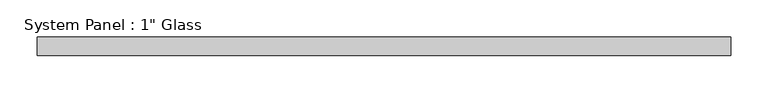
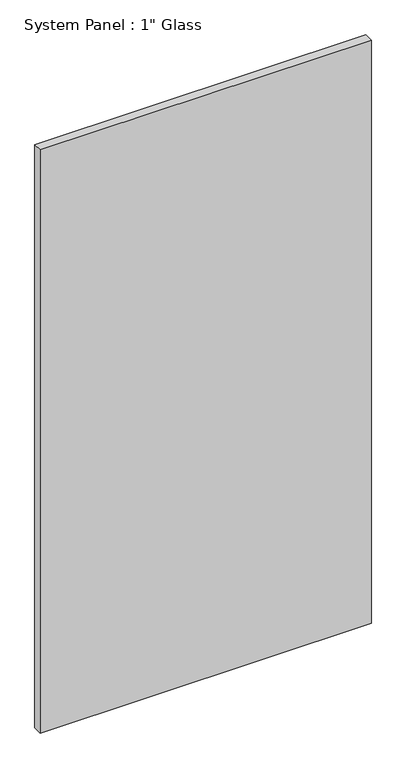
"""IFC4 building model written with IfcOpenShell, lengths in millimetres: plate geometry."""

from ifc_helpers import new_model, si_unit, origin, origin_with_axes, place, context, project, spatial, polyline, outline, extrude, source, transform, mapped, element, save


def plate_25811ca7(model_context):
    return source(origin(), model_context, "Body", "SweptSolid", [
        extrude(outline(polyline([(467.5794208, -12.7), (-467.5794208, -12.7), (-467.5794208, 12.7), (467.5794208, 12.7), (467.5794208, -12.7)])), origin_with_axes(), (0.0, 0.0, 1.0), 1739.9),
    ])


if __name__ == "__main__":
    model = new_model("IFC4")
    model_context = context("Model", 3, world=origin())
    ifc_project = project(units=[si_unit("LENGTHUNIT", "METRE", prefix="MILLI")], contexts=[model_context])
    site = spatial("IfcSite", under=ifc_project)
    building = spatial("IfcBuilding", under=site)
    placement = place(None, origin())
    plate_shape = plate_25811ca7(model_context)
    element("IfcPlate", 1, ObjectType="System Panel : 1\" Glass", at=placement, inside=building, context=model_context, shape_type="MappedRepresentation", body=[
        mapped(plate_shape, transform((0.0, 0.0, 0.0), x_axis=(1.0, 0.0, 0.0), y_axis=(0.0, 1.0, 0.0), z_axis=(0.0, 0.0, 1.0))),
    ])
    save(model, "model.ifc")
